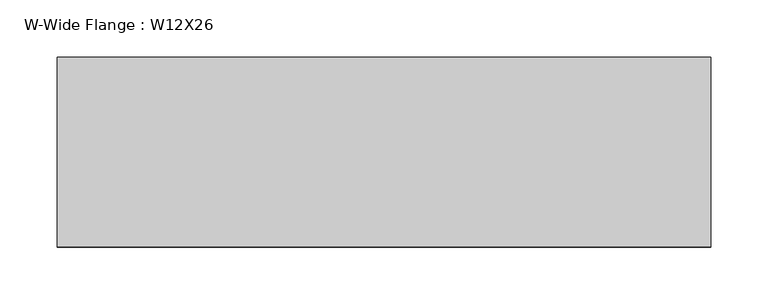
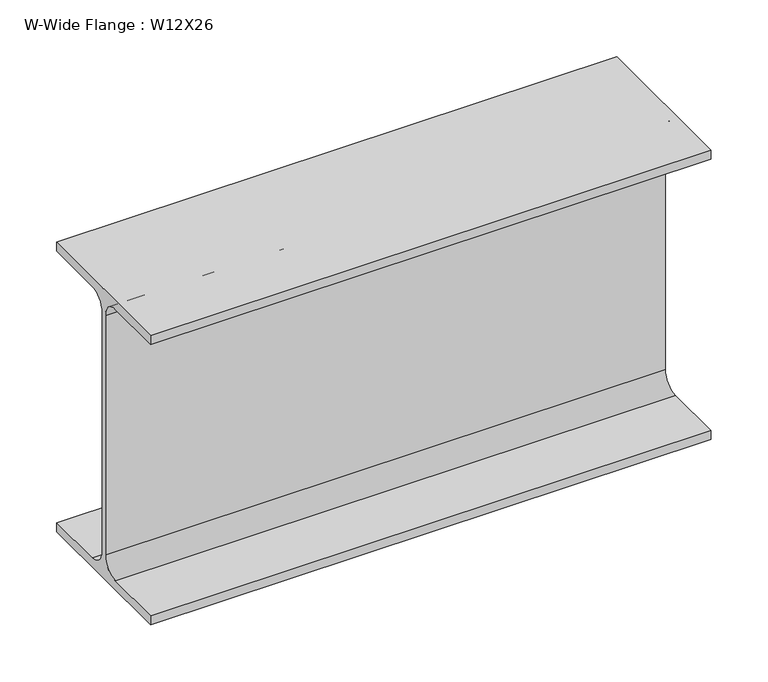
"""IFC4 building model written with IfcOpenShell, lengths in millimetres: beam geometry, W-Wide Flange : W12X26."""

from ifc_helpers import new_model, si_unit, point, frame, frame_2d, origin, place, context, project, spatial, polyline, circle_curve, trimmed, segment, composite_curve, outline, extrude, source, transform, mapped, element, save


def w_wide_flange_w12x26_02e243a4(model_context):
    return source(origin(), model_context, "Body", "SweptSolid", [
        extrude(outline(composite_curve([segment(polyline([(82.4011719, -145.5539063), (82.4011719, -155.178125), (-82.4011719, -155.178125), (-82.4011719, -145.5539063), (-20.2902344, -145.5539063)]), True, "CONTINUOUS"), segment(trimmed(circle_curve(frame_2d((-20.2902344, -128.190625)), 17.3632812), [point((-20.2902344, -145.5539063))], [point((-2.9269531, -128.190625))], True, "CARTESIAN"), True, "CONTINUOUS"), segment(polyline([(-2.9269531, -128.190625), (-2.9269531, 128.190625)]), True, "CONTINUOUS"), segment(trimmed(circle_curve(frame_2d((-20.2902344, 128.190625)), 17.3632812), [point((-2.9269531, 128.190625))], [point((-20.2902344, 145.5539062))], True, "CARTESIAN"), True, "CONTINUOUS"), segment(polyline([(-20.2902344, 145.5539062), (-82.4011719, 145.5539062), (-82.4011719, 155.178125), (82.4011719, 155.178125), (82.4011719, 145.5539062), (20.2902344, 145.5539062)]), True, "CONTINUOUS"), segment(trimmed(circle_curve(frame_2d((20.2902344, 128.190625)), 17.3632812), [point((20.2902344, 145.5539062))], [point((2.9269531, 128.190625))], True, "CARTESIAN"), True, "CONTINUOUS"), segment(polyline([(2.9269531, 128.190625), (2.9269531, -128.190625)]), True, "CONTINUOUS"), segment(trimmed(circle_curve(frame_2d((20.2902344, -128.190625)), 17.3632812), [point((2.9269531, -128.190625))], [point((20.2902344, -145.5539063))], True, "CARTESIAN"), True, "CONTINUOUS"), segment(polyline([(20.2902344, -145.5539063), (82.4011719, -145.5539063)]), True, "CONTINUOUS")], self_intersect=False)), frame((-314.0529904, 0.0, 0.0), z_axis=(1.0, 0.0, 0.0), x_axis=(0.0, 1.0, 0.0)), (0.0, 0.0, 1.0), 567.9859581),
    ])


if __name__ == "__main__":
    model = new_model("IFC4")
    model_context = context("Model", 3, world=origin())
    ifc_project = project(units=[si_unit("LENGTHUNIT", "METRE", prefix="MILLI")], contexts=[model_context])
    site = spatial("IfcSite", under=ifc_project)
    building = spatial("IfcBuilding", under=site)
    placement = place(None, origin())
    w_wide_flange_w12x26_shape = w_wide_flange_w12x26_02e243a4(model_context)
    element("IfcBeam", 1, ObjectType="W-Wide Flange : W12X26", at=placement, inside=building, context=model_context, shape_type="MappedRepresentation", body=[
        mapped(w_wide_flange_w12x26_shape, transform((0.0, 0.0, 0.0), x_axis=(1.0, 0.0, 0.0), y_axis=(0.0, 1.0, 0.0), z_axis=(0.0, 0.0, 1.0))),
    ])
    save(model, "model.ifc")
